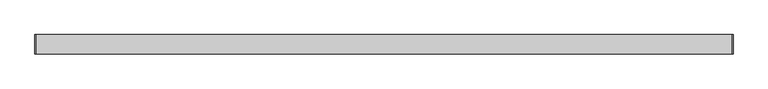
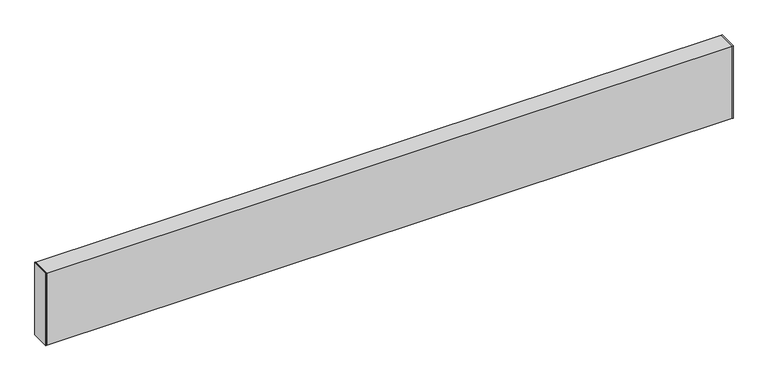
"""IFC4 building model written with IfcOpenShell, lengths in millimetres: proxy geometry."""

from ifc_helpers import new_model, si_unit, frame, origin, origin_with_axes, place, context, project, spatial, polyline, outline, extrude, source, transform, mapped, element, save


def generic_models_3ec53695(model_context):
    return source(origin(), model_context, "Body", "SweptSolid", [
        extrude(outline(polyline([(0.0, -25.4), (0.0, 25.4), (1.651, 25.4), (1.651, -25.4), (0.0, -25.4)])), origin_with_axes(), (0.0, 0.0, 1.0), 203.2),
        extrude(outline(polyline([(1828.8, -25.4), (1827.149, -25.4), (1827.149, 25.4), (1828.8, 25.4), (1828.8, -25.4)])), origin_with_axes(), (0.0, 0.0, 1.0), 203.2),
        extrude(outline(polyline([(-25.4, 0.0), (-25.4, 203.2), (25.4, 203.2), (25.4, 0.0), (-25.4, 0.0)]), holes=[polyline([(22.266, 1.651), (22.266, 201.549), (-22.266, 201.549), (-22.266, 1.651), (22.266, 1.651)])]), frame((1.651, 0.0, 0.0), z_axis=(1.0, 0.0, 0.0), x_axis=(0.0, 1.0, 0.0)), (0.0, 0.0, 1.0), 1825.498),
    ])


if __name__ == "__main__":
    model = new_model("IFC4")
    model_context = context("Model", 3, world=origin())
    ifc_project = project(units=[si_unit("LENGTHUNIT", "METRE", prefix="MILLI")], contexts=[model_context])
    site = spatial("IfcSite", under=ifc_project)
    building = spatial("IfcBuilding", under=site)
    placement = place(None, origin())
    generic_models_shape = generic_models_3ec53695(model_context)
    element("IfcBuildingElementProxy", 1, Name="Generic Models", at=placement, inside=building, context=model_context, shape_type="MappedRepresentation", body=[
        mapped(generic_models_shape, transform((0.0, 0.0, 0.0), x_axis=(1.0, 0.0, 0.0), y_axis=(0.0, 1.0, 0.0), z_axis=(0.0, 0.0, 1.0))),
    ])
    save(model, "model.ifc")
